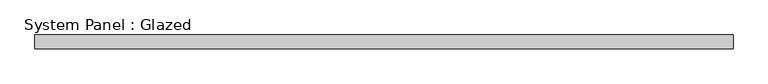
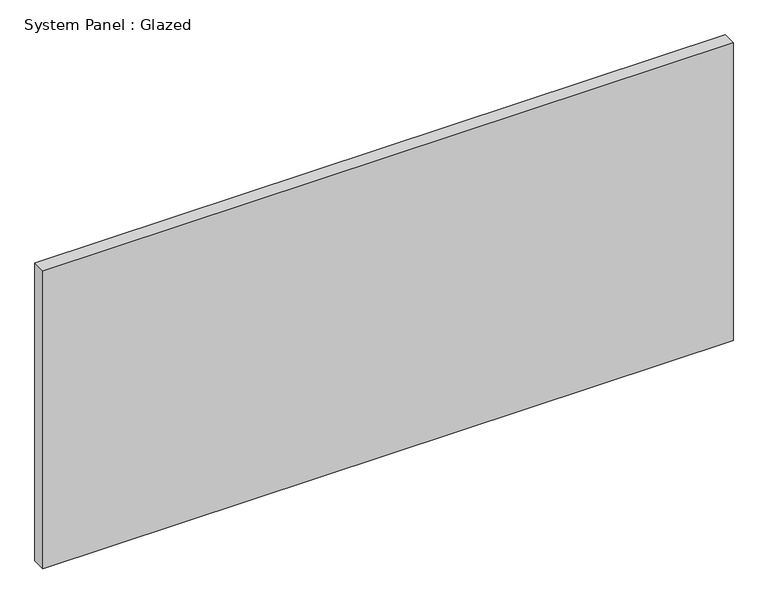
"""IFC4 building model written with IfcOpenShell, lengths in millimetres: plate geometry, System Panel : Glazed."""

from ifc_helpers import new_model, si_unit, origin, origin_with_axes, place, context, project, spatial, polyline, outline, extrude, source, transform, mapped, element, save


def system_panel_glazed_aeac2ffd(model_context):
    return source(origin(), model_context, "Body", "SweptSolid", [
        extrude(outline(polyline([(633.4125, 19.05), (-633.4125, 19.05), (-633.4125, 44.45), (633.4125, 44.45), (633.4125, 19.05)])), origin_with_axes(), (0.0, 0.0, 1.0), 577.85),
    ])


if __name__ == "__main__":
    model = new_model("IFC4")
    model_context = context("Model", 3, world=origin())
    ifc_project = project(units=[si_unit("LENGTHUNIT", "METRE", prefix="MILLI")], contexts=[model_context])
    site = spatial("IfcSite", under=ifc_project)
    building = spatial("IfcBuilding", under=site)
    placement = place(None, origin())
    system_panel_glazed_shape = system_panel_glazed_aeac2ffd(model_context)
    element("IfcPlate", 1, ObjectType="System Panel : Glazed", at=placement, inside=building, context=model_context, shape_type="MappedRepresentation", body=[
        mapped(system_panel_glazed_shape, transform((0.0, 0.0, 0.0), x_axis=(1.0, 0.0, 0.0), y_axis=(0.0, 1.0, 0.0), z_axis=(0.0, 0.0, 1.0))),
    ])
    save(model, "model.ifc")
